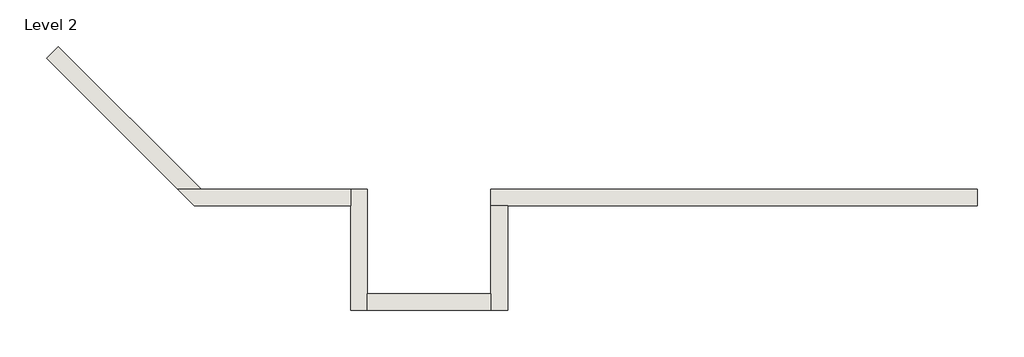
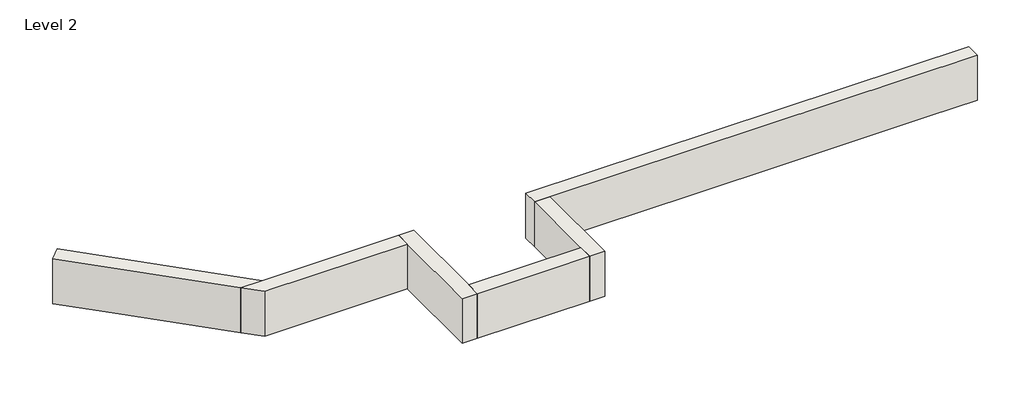
# One storey: 6 walls.
"""IFC4 building model written with IfcOpenShell, lengths in millimetres."""

from ifc_helpers import new_model, si_unit, frame, origin, place, context, project, spatial, polyline, outline, extrude, faceted_brep, element, save

model = new_model("IFC4")

# Units and contexts
model_context = context("Model", 3, world=origin())
ifc_project = project(units=[si_unit("LENGTHUNIT", "METRE", prefix="MILLI")], contexts=[model_context])

# Site, building, storey
site = spatial("IfcSite", under=ifc_project)
building = spatial("IfcBuilding", under=site)
storey = spatial("IfcBuildingStorey", under=building, Name="Level 2", Elevation=3048.0)

# Walls
placement = place(None, origin())
element("IfcWall", 1, ObjectType="Generic - 8\" Brick", at=placement, inside=storey, context=model_context, shape_type="Brep", body=[
    faceted_brep([(7315.2, 1412.8726187, 3048.0), (6705.6, 1412.8726187, 3048.0), (4876.8, 1412.8726187, 3048.0), (3657.6, 1412.8726187, 3048.0), (1635.1273813, 1412.8726187, 3048.0), (1635.1273813, 1412.8726187, 3657.6), (7315.2, 1412.8726187, 3657.6), (7315.2, 1219.1976187, 3048.0), (7315.2, 1219.1976187, 3657.6), (1828.8023813, 1219.1976187, 3657.6), (1635.1273813, 1219.1976187, 3657.6), (1635.1273813, 1219.1976187, 3048.0), (1828.8023813, 1219.1976187, 3048.0), (3657.6, 1219.1976187, 3048.0), (4876.8, 1219.1976187, 3048.0), (6705.6, 1219.1976187, 3048.0)], [[[0, 1, 2, 3, 4, 5, 6]], [[7, 8, 9, 10, 11, 12, 13, 14, 15]], [[4, 3, 2, 1, 0, 7, 15, 14, 13, 12, 11]], [[6, 5, 10, 9, 8]], [[0, 6, 8, 7]], [[5, 4, 11, 10]]]),
])
element("IfcWall", 2, ObjectType="Generic - 8\" Brick", at=placement, inside=storey, context=model_context, shape_type="Brep", body=[
    faceted_brep([(1635.1273813, 1219.1976187, 3048.0), (1635.1273813, 193.675, 3048.0), (1635.1273813, 0.0, 3048.0), (1635.1273813, 0.0, 3657.6), (1635.1273813, 193.675, 3657.6), (1635.1273813, 1219.1976187, 3657.6), (1828.8023813, 1219.1976187, 3048.0), (1828.8023813, 1219.1976187, 3657.6), (1828.8023813, 0.0, 3657.6), (1828.8023813, 0.0, 3048.0)], [[[0, 1, 2, 3, 4, 5]], [[6, 7, 8, 9]], [[2, 1, 0, 6, 9]], [[5, 4, 3, 8, 7]], [[0, 5, 7, 6]], [[3, 2, 9, 8]]]),
])
element("IfcWall", 3, ObjectType="Generic - 8\" Brick", at=placement, inside=storey, context=model_context, shape_type="SweptSolid", body=[
    extrude(outline(polyline([(193.675, 193.675), (1635.1273813, 193.675), (1635.1273813, 0.0), (193.675, 0.0), (193.675, 193.675)])), frame((0.0, 0.0, 3048.0), z_axis=(0.0, 0.0, 1.0), x_axis=(1.0, 0.0, 0.0)), (0.0, 0.0, 1.0), 609.6),
])
element("IfcWall", 4, ObjectType="Generic - 8\" Brick", at=placement, inside=storey, context=model_context, shape_type="Brep", body=[
    faceted_brep([(193.675, 0.0, 3048.0), (193.675, 193.675, 3048.0), (193.675, 1412.8726187, 3048.0), (193.675, 1412.8726187, 3657.6), (193.675, 193.675, 3657.6), (193.675, 0.0, 3657.6), (0.0, 0.0, 3048.0), (0.0, 0.0, 3657.6), (0.0, 1219.1976187, 3657.6), (0.0, 1412.8726187, 3657.6), (0.0, 1412.8726187, 3048.0), (0.0, 1219.1976187, 3048.0)], [[[0, 1, 2, 3, 4, 5]], [[6, 7, 8, 9, 10, 11]], [[2, 1, 0, 6, 11, 10]], [[5, 4, 3, 9, 8, 7]], [[0, 5, 7, 6]], [[3, 2, 10, 9]]]),
])
element("IfcWall", 5, ObjectType="Generic - 8\" Brick", at=placement, inside=storey, context=model_context, shape_type="Brep", body=[
    faceted_brep([(0.0, 1412.8726187, 3048.0), (-1748.5781747, 1412.8726187, 3048.0), (-2022.4759863, 1412.8726187, 3048.0), (-2022.4759863, 1412.8726187, 3657.6), (-1748.5781747, 1412.8726187, 3657.6), (0.0, 1412.8726187, 3657.6), (0.0, 1219.1976187, 3048.0), (0.0, 1219.1976187, 3657.6), (-1828.8009863, 1219.1976187, 3657.6), (-1828.8009863, 1219.1976187, 3048.0)], [[[0, 1, 2, 3, 4, 5]], [[6, 7, 8, 9]], [[2, 1, 0, 6, 9]], [[5, 4, 3, 8, 7]], [[0, 5, 7, 6]], [[3, 2, 9, 8]]]),
])
element("IfcWall", 6, ObjectType="Generic - 8\" Brick", at=placement, inside=storey, context=model_context, shape_type="Brep", body=[
    faceted_brep([(-1748.5781747, 1412.8726187, 3048.0), (-2985.0096594, 2649.3041035, 3048.0), (-3416.0619532, 3080.3563973, 3048.0), (-3416.0619532, 3080.3563973, 3657.6), (-1748.5781747, 1412.8726187, 3657.6), (-2022.4759863, 1412.8726187, 3048.0), (-2022.4759863, 1412.8726187, 3657.6), (-3553.010859, 2943.4074914, 3657.6), (-3553.010859, 2943.4074914, 3048.0), (-3121.9585652, 2512.3551976, 3048.0)], [[[0, 1, 2, 3, 4]], [[5, 6, 7, 8, 9]], [[2, 1, 0, 5, 9, 8]], [[3, 2, 8, 7]], [[4, 3, 7, 6]], [[0, 4, 6, 5]]]),
])

save(model, "model.ifc")
